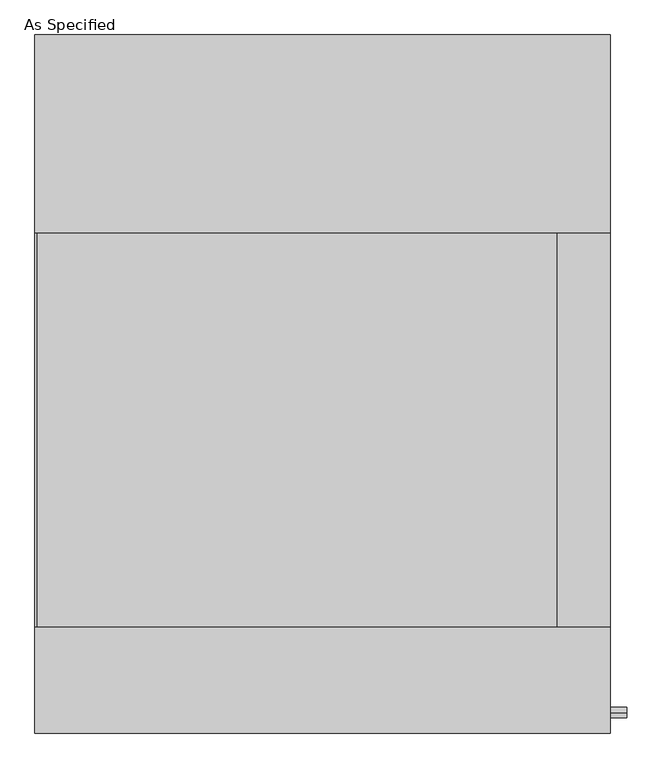
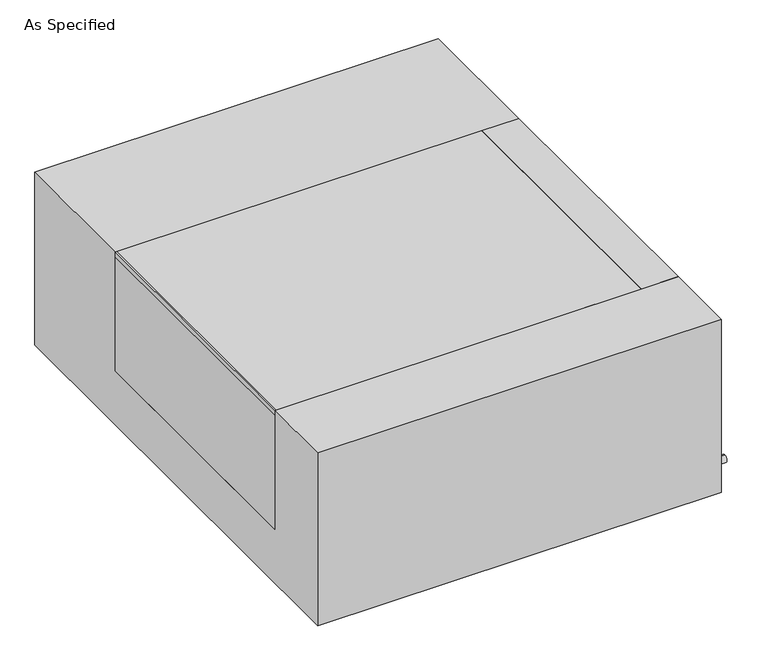
"""IFC4 building model written with IfcOpenShell, lengths in millimetres: proxy geometry, As Specified."""

from ifc_helpers import new_model, si_unit, point, frame, frame_2d, origin, place, context, project, spatial, polyline, circle_curve, trimmed, segment, composite_curve, outline, extrude, source, transform, mapped, element, save


def as_specified_4008866b(model_context):
    return source(origin(), model_context, "Body", "SweptSolid", [
        extrude(outline(composite_curve([segment(trimmed(circle_curve(frame_2d((-636.5875, -466.725)), 10.5), [point((-636.5875, -456.225))], [point((-636.5875, -477.225))], False, "CARTESIAN"), True, "CONTINUOUS"), segment(trimmed(circle_curve(frame_2d((-636.5875, -466.725)), 10.5), [point((-636.5875, -477.225))], [point((-636.5875, -456.225))], False, "CARTESIAN"), True, "CONTINUOUS")], self_intersect=False)), frame((558.00625, 0.0, 0.0), z_axis=(1.0, 0.0, 0.0), x_axis=(0.0, 1.0, 0.0)), (0.0, 0.0, 1.0), 31.8403384),
        extrude(outline(polyline([(454.81875, -469.9), (454.81875, 292.1), (557.2125, 292.1), (557.2125, -469.9), (454.81875, -469.9)])), frame((0.0, 0.0, -373.0625), z_axis=(0.0, 0.0, 1.0), x_axis=(1.0, 0.0, 0.0)), (0.0, 0.0, 1.0), 347.6625),
        extrude(outline(polyline([(-557.2125, 292.1), (-553.24375, 292.1), (-553.24375, -469.9), (-557.2125, -469.9), (-557.2125, 292.1)])), frame((0.0, 0.0, -39.6875), z_axis=(0.0, 0.0, 1.0), x_axis=(1.0, 0.0, 0.0)), (0.0, 0.0, 1.0), 14.2875),
        extrude(outline(polyline([(454.81875, 292.1), (454.81875, -469.9), (-557.2125, -469.9), (-557.2125, 292.1), (454.81875, 292.1)])), frame((0.0, 0.0, -373.0625), z_axis=(0.0, 0.0, 1.0), x_axis=(1.0, 0.0, 0.0)), (0.0, 0.0, 1.0), 347.6625),
        extrude(outline(polyline([(676.275, -25.4), (676.275, -530.225), (-676.275, -530.225), (-676.275, -25.4), (-469.9, -25.4), (-469.9, -373.0625), (292.1, -373.0625), (292.1, -25.4), (676.275, -25.4)])), frame((-557.2125, 0.0, 0.0), z_axis=(1.0, 0.0, 0.0), x_axis=(0.0, 1.0, 0.0)), (0.0, 0.0, 1.0), 1114.425),
    ])


if __name__ == "__main__":
    model = new_model("IFC4")
    model_context = context("Model", 3, world=origin())
    ifc_project = project(units=[si_unit("LENGTHUNIT", "METRE", prefix="MILLI")], contexts=[model_context])
    site = spatial("IfcSite", under=ifc_project)
    building = spatial("IfcBuilding", under=site)
    placement = place(None, origin())
    as_specified_shape = as_specified_4008866b(model_context)
    element("IfcBuildingElementProxy", 1, Name="As Specified", ObjectType="As Specified", at=placement, inside=building, context=model_context, shape_type="MappedRepresentation", body=[
        mapped(as_specified_shape, transform((0.0, 0.0, 0.0), x_axis=(1.0, 0.0, 0.0), y_axis=(0.0, 1.0, 0.0), z_axis=(0.0, 0.0, 1.0))),
    ])
    save(model, "model.ifc")
